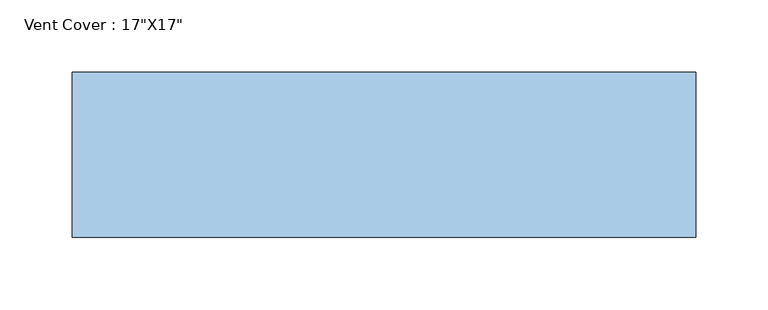
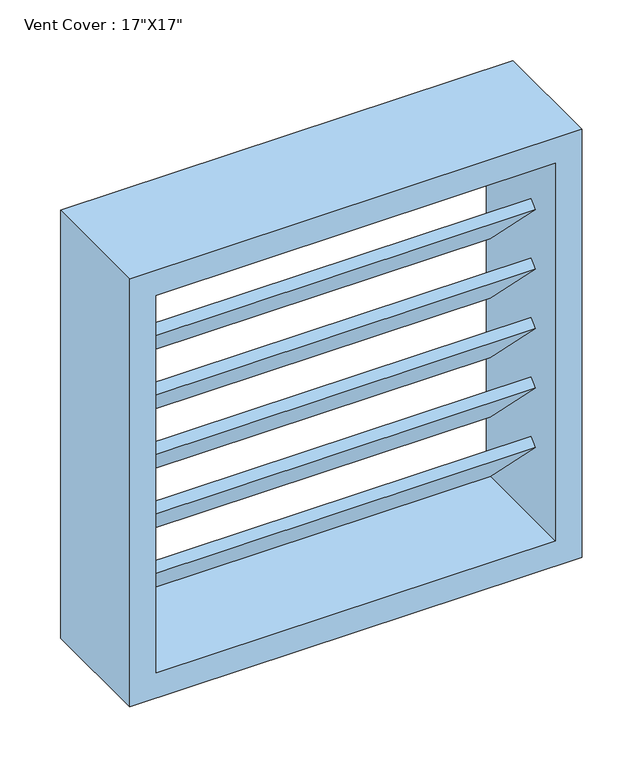
"""IFC4 building model written with IfcOpenShell, lengths in millimetres: window geometry."""

from ifc_helpers import new_model, si_unit, frame, origin, place, context, project, spatial, polyline, outline, extrude, source, transform, mapped, element, save


def window_6f6a5337(model_context):
    return source(origin(), model_context, "Body", "SweptSolid", [
        extrude(outline(polyline([(0.0, -104.3), (0.0, 0.0), (381.0, 0.0), (381.0, -104.3), (0.0, -104.3)])), frame((190.5, -23.6723051, 1199.1512373), z_axis=(0.0, 0.7071067811865503, 0.7071067811865447), x_axis=(-1.0, 0.0, 0.0)), (0.0, 0.0, 1.0), 10.0),
        extrude(outline(polyline([(0.0, -104.3), (0.0, 0.0), (381.0, 0.0), (381.0, -104.3), (0.0, -104.3)])), frame((190.5, -23.6723051, 1139.1512373), z_axis=(0.0, 0.7071067811865503, 0.7071067811865447), x_axis=(-1.0, 0.0, 0.0)), (0.0, 0.0, 1.0), 10.0),
        extrude(outline(polyline([(0.0, -104.3), (0.0, 0.0), (381.0, 0.0), (381.0, -104.3), (0.0, -104.3)])), frame((190.5, -23.6723051, 1079.1512373), z_axis=(0.0, 0.7071067811865503, 0.7071067811865447), x_axis=(-1.0, 0.0, 0.0)), (0.0, 0.0, 1.0), 10.0),
        extrude(outline(polyline([(0.0, -104.3), (0.0, 0.0), (381.0, 0.0), (381.0, -104.3), (0.0, -104.3)])), frame((190.5, -23.6723051, 1019.1512373), z_axis=(0.0, 0.7071067811865503, 0.7071067811865447), x_axis=(-1.0, 0.0, 0.0)), (0.0, 0.0, 1.0), 10.0),
        extrude(outline(polyline([(0.0, -104.3), (0.0, 0.0), (381.0, 0.0), (381.0, -104.3), (0.0, -104.3)])), frame((190.5, -23.6723051, 959.1512373), z_axis=(0.0, 0.7071067811865503, 0.7071067811865447), x_axis=(-1.0, 0.0, 0.0)), (0.0, 0.0, 1.0), 10.0),
        extrude(outline(polyline([(0.0, -104.3), (0.0, 0.0), (381.0, 0.0), (381.0, -104.3), (0.0, -104.3)])), frame((190.5, -23.6723051, 899.1512373), z_axis=(0.0, 0.7071067811865503, 0.7071067811865447), x_axis=(-1.0, 0.0, 0.0)), (0.0, 0.0, 1.0), 10.0),
        extrude(outline(polyline([(1231.8, 215.9), (1231.8, -215.9), (800.0, -215.9), (800.0, 215.9), (1231.8, 215.9)]), holes=[polyline([(1206.4, 190.5), (825.4, 190.5), (825.4, -190.5), (1206.4, -190.5), (1206.4, 190.5)])]), frame((0.0, -57.15, 0.0), z_axis=(0.0, 1.0, 0.0), x_axis=(0.0, 0.0, 1.0)), (0.0, 0.0, 1.0), 114.3),
    ])


if __name__ == "__main__":
    model = new_model("IFC4")
    model_context = context("Model", 3, world=origin())
    ifc_project = project(units=[si_unit("LENGTHUNIT", "METRE", prefix="MILLI")], contexts=[model_context])
    site = spatial("IfcSite", under=ifc_project)
    building = spatial("IfcBuilding", under=site)
    placement = place(None, origin())
    window_shape = window_6f6a5337(model_context)
    element("IfcWindow", 1, ObjectType="Vent Cover : 17\"X17\"", at=placement, inside=building, context=model_context, shape_type="MappedRepresentation", body=[
        mapped(window_shape, transform((0.0, 0.0, 0.0), x_axis=(1.0, 0.0, 0.0), y_axis=(0.0, 1.0, 0.0), z_axis=(0.0, 0.0, 1.0))),
    ])
    save(model, "model.ifc")
